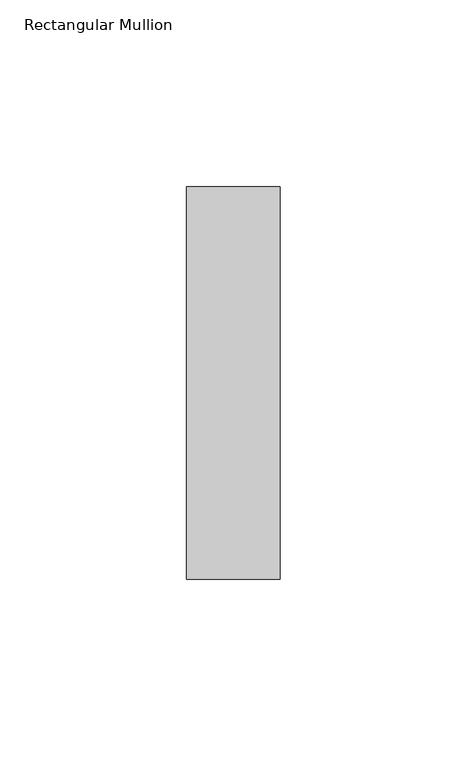
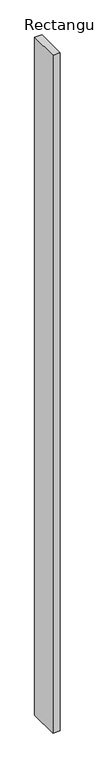
"""IFC4 building model written with IfcOpenShell, lengths in millimetres: member geometry, Rectangular Mullion."""

from ifc_helpers import new_model, si_unit, frame, origin, place, context, project, spatial, polyline, outline, extrude, source, transform, mapped, element, save


def rectangular_mullion_c5c378d2(model_context):
    return source(origin(), model_context, "Body", "SweptSolid", [
        extrude(outline(polyline([(-25.0, -40.0), (-25.0, 65.0), (0.0, 65.0), (0.0, -40.0), (-25.0, -40.0)])), frame((0.0, 0.0, -2400.0), z_axis=(0.0, 0.0, 1.0), x_axis=(1.0, 0.0, 0.0)), (0.0, 0.0, 1.0), 2400.0),
    ])


if __name__ == "__main__":
    model = new_model("IFC4")
    model_context = context("Model", 3, world=origin())
    ifc_project = project(units=[si_unit("LENGTHUNIT", "METRE", prefix="MILLI")], contexts=[model_context])
    site = spatial("IfcSite", under=ifc_project)
    building = spatial("IfcBuilding", under=site)
    placement = place(None, origin())
    rectangular_mullion_shape = rectangular_mullion_c5c378d2(model_context)
    element("IfcMember", 1, ObjectType="Rectangular Mullion", at=placement, inside=building, context=model_context, shape_type="MappedRepresentation", body=[
        mapped(rectangular_mullion_shape, transform((0.0, 0.0, 0.0), x_axis=(1.0, 0.0, 0.0), y_axis=(0.0, 1.0, 0.0), z_axis=(0.0, 0.0, 1.0))),
    ])
    save(model, "model.ifc")
